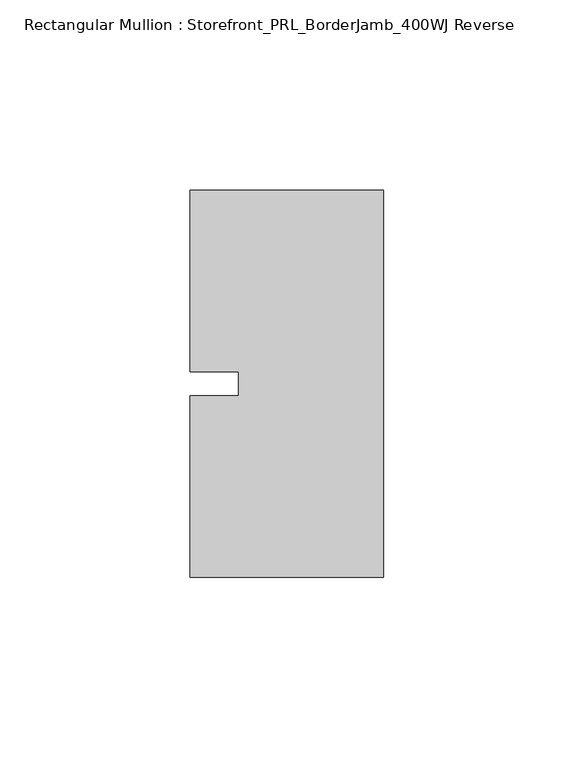
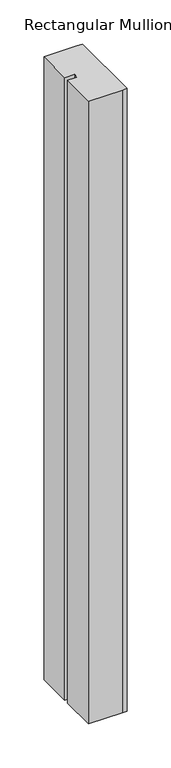
"""IFC4 building model written with IfcOpenShell, lengths in millimetres: member geometry, Rectangular Mullion : Storefront_PRL_BorderJamb_400WJ Reverse."""

from ifc_helpers import new_model, si_unit, frame, origin, place, context, project, spatial, polyline, outline, extrude, source, transform, mapped, element, save


def rectangular_mullion_storefront_prl_borderjamb_400wj_reverse_4009ad50(model_context):
    return source(origin(), model_context, "Body", "SweptSolid", [
        extrude(outline(polyline([(-38.1, -3.175), (-38.1, 3.175), (-50.8, 3.175), (-50.8, 50.8), (-7.3958824, 50.8), (0.0, 50.8), (0.0, -50.8), (-6.35, -50.8), (-50.8, -50.8), (-50.8, -3.175), (-38.1, -3.175)])), frame((0.0, 0.0, -863.6), z_axis=(0.0, 0.0, 1.0), x_axis=(1.0, 0.0, 0.0)), (0.0, 0.0, 1.0), 863.6),
    ])


if __name__ == "__main__":
    model = new_model("IFC4")
    model_context = context("Model", 3, world=origin())
    ifc_project = project(units=[si_unit("LENGTHUNIT", "METRE", prefix="MILLI")], contexts=[model_context])
    site = spatial("IfcSite", under=ifc_project)
    building = spatial("IfcBuilding", under=site)
    placement = place(None, origin())
    rectangular_mullion_storefront_prl_borderjamb_400wj_reverse_shape = rectangular_mullion_storefront_prl_borderjamb_400wj_reverse_4009ad50(model_context)
    element("IfcMember", 1, ObjectType="Rectangular Mullion : Storefront_PRL_BorderJamb_400WJ Reverse", at=placement, inside=building, context=model_context, shape_type="MappedRepresentation", body=[
        mapped(rectangular_mullion_storefront_prl_borderjamb_400wj_reverse_shape, transform((0.0, 0.0, 0.0), x_axis=(1.0, 0.0, 0.0), y_axis=(0.0, 1.0, 0.0), z_axis=(0.0, 0.0, 1.0))),
    ])
    save(model, "model.ifc")
